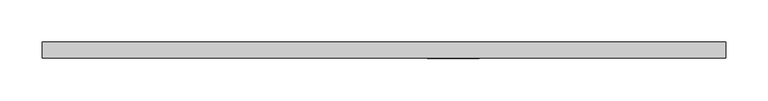
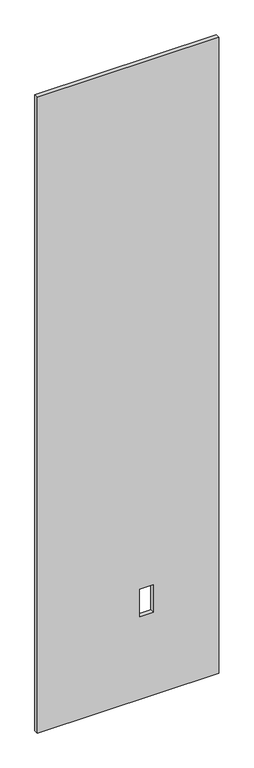
"""IFC4 building model written with IfcOpenShell, lengths in millimetres: proxy geometry."""

from ifc_helpers import new_model, si_unit, frame, origin, place, context, project, spatial, polyline, outline, extrude, source, transform, mapped, element, save


def specialty_equipment_62da9689(model_context):
    return source(origin(), model_context, "Body", "SweptSolid", [
        extrude(outline(polyline([(2999.5368001, -404.5204), (3.175, -404.5204), (3.175, 404.5204), (2999.5368001, 404.5204), (2999.5368001, -404.5204)]), holes=[polyline([(391.922, 112.8268), (391.922, 51.3588), (522.478, 51.3588), (522.478, 112.8268), (391.922, 112.8268)])]), frame((0.0, -9.525, 0.0), z_axis=(0.0, 1.0, 0.0), x_axis=(0.0, 0.0, 1.0)), (0.0, 0.0, 1.0), 19.05),
    ])


if __name__ == "__main__":
    model = new_model("IFC4")
    model_context = context("Model", 3, world=origin())
    ifc_project = project(units=[si_unit("LENGTHUNIT", "METRE", prefix="MILLI")], contexts=[model_context])
    site = spatial("IfcSite", under=ifc_project)
    building = spatial("IfcBuilding", under=site)
    placement = place(None, origin())
    specialty_equipment_shape = specialty_equipment_62da9689(model_context)
    element("IfcBuildingElementProxy", 1, Name="Specialty Equipment", at=placement, inside=building, context=model_context, shape_type="MappedRepresentation", body=[
        mapped(specialty_equipment_shape, transform((0.0, 0.0, 0.0), x_axis=(1.0, 0.0, 0.0), y_axis=(0.0, 1.0, 0.0), z_axis=(0.0, 0.0, 1.0))),
    ])
    save(model, "model.ifc")
